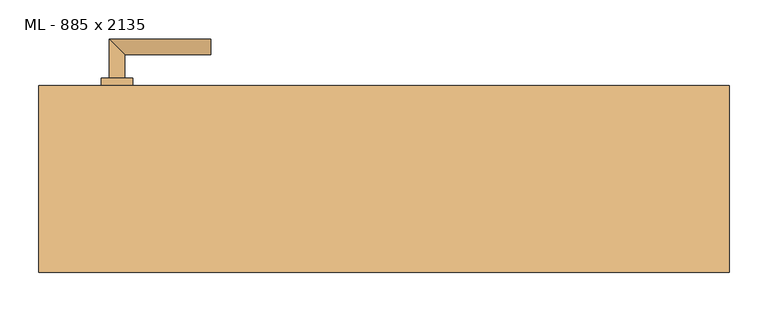
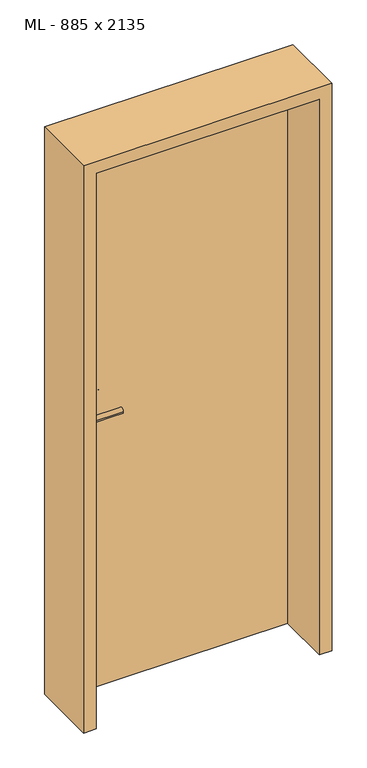
"""IFC4 building model written with IfcOpenShell, lengths in millimetres: door geometry, ML - 885 x 2135."""

from ifc_helpers import new_model, si_unit, point, frame, frame_2d, origin, origin_with_axes, place, context, project, spatial, polyline, circle_curve, ellipse_curve, trimmed, segment, composite_curve, outline, extrude, faceted_brep, source, transform, mapped, element, save
from ifc_brep_helpers import plane_surface, cylinder_surface, advanced_brep


def ml_885_x_2135_f071d580(model_context):
    return source(origin(), model_context, "Body", "SolidModel", [
        extrude(outline(polyline([(408.5, 120.0), (408.5, 75.0), (-408.5, 75.0), (-408.5, 120.0), (408.5, 120.0)])), origin_with_axes(), (0.0, 0.0, 1.0), 2101.0),
        advanced_brep(
        [(-332.5, 130.0, 1050.0), (-352.5, 130.0, 1050.0), (-332.5, 160.0, 1050.0), (-352.5, 180.0, 1050.0), (-222.5, 160.0, 1050.0), (-222.5, 180.0, 1050.0)],
        [
            (0, 1, circle_curve(frame((-342.5, 130.0, 1050.0), z_axis=(0.0, -1.0, 0.0), x_axis=(-1.0, 0.0, 0.0)), 10.0)),
            (1, 0, circle_curve(frame((-342.5, 130.0, 1050.0), z_axis=(0.0, -1.0, 0.0), x_axis=(-1.0, 0.0, 0.0)), 10.0)),
            (0, 2),
            (2, 3, ellipse_curve(frame((-342.5, 170.0, 1050.0), z_axis=(-0.7071067811865531, -0.7071067811865419, 0.0), x_axis=(0.707106781186542, -0.707106781186553, 0.0)), 14.1421356, 10.0)),
            (3, 1),
            (3, 2, ellipse_curve(frame((-342.5, 170.0, 1050.0), z_axis=(-0.7071067811865531, -0.7071067811865419, 0.0), x_axis=(0.707106781186542, -0.707106781186553, 0.0)), 14.1421356, 10.0)),
            (4, 5, circle_curve(frame((-222.5, 170.0, 1050.0), z_axis=(1.0, 0.0, 0.0), x_axis=(0.0, 1.0, 0.0)), 10.0)),
            (5, 4, circle_curve(frame((-222.5, 170.0, 1050.0), z_axis=(1.0, 0.0, 0.0), x_axis=(0.0, 1.0, 0.0)), 10.0)),
            (2, 4),
            (5, 3),
        ],
        [
            plane_surface(frame((-342.5, 130.0, 1050.0), z_axis=(0.0, -1.0, 0.0), x_axis=(0.0, 0.0, 1.0))),
            cylinder_surface(frame((-342.5, 130.0, 1050.0), z_axis=(0.0, -1.0, 0.0), x_axis=(-1.0, 0.0, 0.0)), 10.0),
            plane_surface(frame((-222.5, 170.0, 1050.0), z_axis=(1.0, 0.0, 0.0), x_axis=(0.0, 0.0, 1.0))),
            cylinder_surface(frame((-342.5, 170.0, 1050.0), z_axis=(-1.0, 0.0, 0.0), x_axis=(0.0, 1.0, 0.0)), 10.0),
        ],
        [
            (0, [[1, 2]]),
            (1, [[-1, 3, 4, 5]]),
            (1, [[-2, -5, 6, -3]]),
            (2, [[7, 8]]),
            (3, [[-4, 9, -8, 10]]),
            (3, [[-6, -10, -7, -9]]),
        ],
    ),
        extrude(outline(composite_curve([segment(trimmed(circle_curve(frame_2d((990.0, -342.5)), 20.0), [point((990.0, -362.5))], [point((990.0, -322.5))], False, "CARTESIAN"), True, "CONTINUOUS"), segment(trimmed(circle_curve(frame_2d((990.0, -342.5)), 20.0), [point((990.0, -322.5))], [point((990.0, -362.5))], False, "CARTESIAN"), True, "CONTINUOUS")], self_intersect=False), holes=[composite_curve([segment(polyline([(976.4601385, -344.897268), (988.4749012, -344.897268)]), True, "CONTINUOUS"), segment(trimmed(circle_curve(frame_2d((995.0361633, -342.5)), 6.9854888), [point((988.4749012, -344.897268))], [point((988.4749012, -340.102732))], True, "CARTESIAN"), True, "CONTINUOUS"), segment(polyline([(988.4749012, -340.102732), (976.4601385, -340.102732)]), True, "CONTINUOUS"), segment(trimmed(circle_curve(frame_2d((976.4601385, -342.5)), 2.397268), [point((976.4601385, -340.102732))], [point((976.4601385, -344.897268))], True, "CARTESIAN"), True, "CONTINUOUS")], self_intersect=False)]), frame((0.0, 120.0, 0.0), z_axis=(0.0, 1.0, 0.0), x_axis=(0.0, 0.0, 1.0)), (0.0, 0.0, 1.0), 10.0),
        advanced_brep(
        [(-332.5, 130.0, 1050.0), (-352.5, 130.0, 1050.0), (-332.5, 160.0, 1050.0), (-352.5, 180.0, 1050.0), (-222.5, 160.0, 1050.0), (-222.5, 180.0, 1050.0)],
        [
            (0, 1, circle_curve(frame((-342.5, 130.0, 1050.0), z_axis=(0.0, -1.0, 0.0), x_axis=(-1.0, 0.0, 0.0)), 10.0)),
            (1, 0, circle_curve(frame((-342.5, 130.0, 1050.0), z_axis=(0.0, -1.0, 0.0), x_axis=(-1.0, 0.0, 0.0)), 10.0)),
            (0, 2),
            (2, 3, ellipse_curve(frame((-342.5, 170.0, 1050.0), z_axis=(-0.7071067811865537, -0.7071067811865414, 0.0), x_axis=(0.7071067811865414, -0.7071067811865536, 0.0)), 14.1421356, 10.0)),
            (3, 1),
            (3, 2, ellipse_curve(frame((-342.5, 170.0, 1050.0), z_axis=(-0.7071067811865537, -0.7071067811865414, 0.0), x_axis=(0.7071067811865414, -0.7071067811865536, 0.0)), 14.1421356, 10.0)),
            (4, 5, circle_curve(frame((-222.5, 170.0, 1050.0), z_axis=(1.0, 0.0, 0.0), x_axis=(0.0, 1.0, 0.0)), 10.0)),
            (5, 4, circle_curve(frame((-222.5, 170.0, 1050.0), z_axis=(1.0, 0.0, 0.0), x_axis=(0.0, 1.0, 0.0)), 10.0)),
            (2, 4),
            (5, 3),
        ],
        [
            plane_surface(frame((-342.5, 130.0, 1050.0), z_axis=(0.0, -1.0, 0.0), x_axis=(0.0, 0.0, 1.0))),
            cylinder_surface(frame((-342.5, 130.0, 1050.0), z_axis=(0.0, -1.0, 0.0), x_axis=(-1.0, 0.0, 0.0)), 10.0),
            plane_surface(frame((-222.5, 170.0, 1050.0), z_axis=(1.0, 0.0, 0.0), x_axis=(0.0, 0.0, 1.0))),
            cylinder_surface(frame((-342.5, 170.0, 1050.0), z_axis=(-1.0, 0.0, 0.0), x_axis=(0.0, 1.0, 0.0)), 10.0),
        ],
        [
            (0, [[1, 2]]),
            (1, [[-1, 3, 4, 5]]),
            (1, [[-2, -5, 6, -3]]),
            (2, [[7, 8]]),
            (3, [[-4, 9, -8, 10]]),
            (3, [[-6, -10, -7, -9]]),
        ],
    ),
        extrude(outline(composite_curve([segment(trimmed(circle_curve(frame_2d((1050.0, -342.5)), 20.0), [point((1050.0, -362.5))], [point((1050.0, -322.5))], False, "CARTESIAN"), True, "CONTINUOUS"), segment(trimmed(circle_curve(frame_2d((1050.0, -342.5)), 20.0), [point((1050.0, -322.5))], [point((1050.0, -362.5))], False, "CARTESIAN"), True, "CONTINUOUS")], self_intersect=False)), frame((0.0, 120.0, 0.0), z_axis=(0.0, 1.0, 0.0), x_axis=(0.0, 0.0, 1.0)), (0.0, 0.0, 1.0), 10.0),
        advanced_brep(
        [(-332.5, 65.0, 1050.0), (-352.5, 65.0, 1050.0), (-352.5, 15.0, 1050.0), (-332.5, 35.0, 1050.0), (-222.5, 35.0, 1050.0), (-222.5, 15.0, 1050.0)],
        [
            (0, 1, circle_curve(frame((-342.5, 65.0, 1050.0), z_axis=(0.0, 1.0, 0.0), x_axis=(-1.0, 0.0, 0.0)), 10.0)),
            (1, 0, circle_curve(frame((-342.5, 65.0, 1050.0), z_axis=(0.0, 1.0, 0.0), x_axis=(-1.0, 0.0, 0.0)), 10.0)),
            (1, 2),
            (2, 3, ellipse_curve(frame((-342.5, 25.0, 1050.0), z_axis=(-0.7071067811865486, 0.7071067811865464, 0.0), x_axis=(0.7071067811865464, 0.7071067811865488, 0.0)), 14.1421356, 10.0)),
            (3, 0),
            (3, 2, ellipse_curve(frame((-342.5, 25.0, 1050.0), z_axis=(-0.7071067811865486, 0.7071067811865464, 0.0), x_axis=(0.7071067811865464, 0.7071067811865488, 0.0)), 14.1421356, 10.0)),
            (4, 5, circle_curve(frame((-222.5, 25.0, 1050.0), z_axis=(1.0, 0.0, 0.0), x_axis=(0.0, -1.0, 0.0)), 10.0)),
            (5, 4, circle_curve(frame((-222.5, 25.0, 1050.0), z_axis=(1.0, 0.0, 0.0), x_axis=(0.0, -1.0, 0.0)), 10.0)),
            (2, 5),
            (4, 3),
        ],
        [
            plane_surface(frame((-342.5, 65.0, 1050.0), z_axis=(0.0, 1.0, 0.0), x_axis=(0.0, 0.0, 1.0))),
            cylinder_surface(frame((-342.5, 65.0, 1050.0), z_axis=(0.0, 1.0, 0.0), x_axis=(-1.0, 0.0, 0.0)), 10.0),
            plane_surface(frame((-222.5, 25.0, 1050.0), z_axis=(1.0, 0.0, 0.0), x_axis=(0.0, 0.0, 1.0))),
            cylinder_surface(frame((-342.5, 25.0, 1050.0), z_axis=(-1.0, 0.0, 0.0), x_axis=(0.0, -1.0, 0.0)), 10.0),
        ],
        [
            (0, [[1, 2]]),
            (1, [[3, 4, 5, -2]]),
            (1, [[-5, 6, -3, -1]]),
            (2, [[7, 8]]),
            (3, [[9, -7, 10, -4]]),
            (3, [[-10, -8, -9, -6]]),
        ],
    ),
        extrude(outline(composite_curve([segment(trimmed(circle_curve(frame_2d((990.0, -342.5)), 20.0), [point((990.0, -362.5))], [point((990.0, -322.5))], False, "CARTESIAN"), True, "CONTINUOUS"), segment(trimmed(circle_curve(frame_2d((990.0, -342.5)), 20.0), [point((990.0, -322.5))], [point((990.0, -362.5))], False, "CARTESIAN"), True, "CONTINUOUS")], self_intersect=False), holes=[composite_curve([segment(polyline([(976.4601385, -344.897268), (988.4749012, -344.897268)]), True, "CONTINUOUS"), segment(trimmed(circle_curve(frame_2d((995.0361633, -342.5)), 6.9854888), [point((988.4749012, -344.897268))], [point((988.4749012, -340.102732))], True, "CARTESIAN"), True, "CONTINUOUS"), segment(polyline([(988.4749012, -340.102732), (976.4601385, -340.102732)]), True, "CONTINUOUS"), segment(trimmed(circle_curve(frame_2d((976.4601385, -342.5)), 2.397268), [point((976.4601385, -340.102732))], [point((976.4601385, -344.897268))], True, "CARTESIAN"), True, "CONTINUOUS")], self_intersect=False)]), frame((0.0, 65.0, 0.0), z_axis=(0.0, 1.0, 0.0), x_axis=(0.0, 0.0, 1.0)), (0.0, 0.0, 1.0), 10.0),
        advanced_brep(
        [(-332.5, 65.0, 1050.0), (-352.5, 65.0, 1050.0), (-352.5, 15.0, 1050.0), (-332.5, 35.0, 1050.0), (-222.5, 35.0, 1050.0), (-222.5, 15.0, 1050.0)],
        [
            (0, 1, circle_curve(frame((-342.5, 65.0, 1050.0), z_axis=(0.0, 1.0, 0.0), x_axis=(-1.0, 0.0, 0.0)), 10.0)),
            (1, 0, circle_curve(frame((-342.5, 65.0, 1050.0), z_axis=(0.0, 1.0, 0.0), x_axis=(-1.0, 0.0, 0.0)), 10.0)),
            (1, 2),
            (2, 3, ellipse_curve(frame((-342.5, 25.0, 1050.0), z_axis=(-0.7071067811865491, 0.7071067811865459, 0.0), x_axis=(0.7071067811865458, 0.7071067811865492, 0.0)), 14.1421356, 10.0)),
            (3, 0),
            (3, 2, ellipse_curve(frame((-342.5, 25.0, 1050.0), z_axis=(-0.7071067811865491, 0.7071067811865459, 0.0), x_axis=(0.7071067811865458, 0.7071067811865492, 0.0)), 14.1421356, 10.0)),
            (4, 5, circle_curve(frame((-222.5, 25.0, 1050.0), z_axis=(1.0, 0.0, 0.0), x_axis=(0.0, -1.0, 0.0)), 10.0)),
            (5, 4, circle_curve(frame((-222.5, 25.0, 1050.0), z_axis=(1.0, 0.0, 0.0), x_axis=(0.0, -1.0, 0.0)), 10.0)),
            (2, 5),
            (4, 3),
        ],
        [
            plane_surface(frame((-342.5, 65.0, 1050.0), z_axis=(0.0, 1.0, 0.0), x_axis=(0.0, 0.0, 1.0))),
            cylinder_surface(frame((-342.5, 65.0, 1050.0), z_axis=(0.0, 1.0, 0.0), x_axis=(-1.0, 0.0, 0.0)), 10.0),
            plane_surface(frame((-222.5, 25.0, 1050.0), z_axis=(1.0, 0.0, 0.0), x_axis=(0.0, 0.0, 1.0))),
            cylinder_surface(frame((-342.5, 25.0, 1050.0), z_axis=(-1.0, 0.0, 0.0), x_axis=(0.0, -1.0, 0.0)), 10.0),
        ],
        [
            (0, [[1, 2]]),
            (1, [[3, 4, 5, -2]]),
            (1, [[-5, 6, -3, -1]]),
            (2, [[7, 8]]),
            (3, [[9, -7, 10, -4]]),
            (3, [[-10, -8, -9, -6]]),
        ],
    ),
        extrude(outline(composite_curve([segment(trimmed(circle_curve(frame_2d((1050.0, -342.5)), 20.0), [point((1050.0, -362.5))], [point((1050.0, -322.5))], False, "CARTESIAN"), True, "CONTINUOUS"), segment(trimmed(circle_curve(frame_2d((1050.0, -342.5)), 20.0), [point((1050.0, -322.5))], [point((1050.0, -362.5))], False, "CARTESIAN"), True, "CONTINUOUS")], self_intersect=False)), frame((0.0, 65.0, 0.0), z_axis=(0.0, 1.0, 0.0), x_axis=(0.0, 0.0, 1.0)), (0.0, 0.0, 1.0), 10.0),
        faceted_brep([(-412.5, 120.0, 0.0), (-412.5, 75.0, 0.0), (-397.5, 75.0, 0.0), (-397.5, -120.0, 0.0), (-442.5, -120.0, 0.0), (-442.5, 120.0, 0.0), (-412.5, 120.0, 2105.0), (-412.5, 75.0, 2105.0), (412.5, 75.0, 2105.0), (412.5, 75.0, 0.0), (397.5, 75.0, 0.0), (397.5, 75.0, 2090.0), (-397.5, 75.0, 2090.0), (-397.5, -120.0, 2090.0), (397.5, -120.0, 2090.0), (397.5, -120.0, 0.0), (442.5, -120.0, 0.0), (442.5, -120.0, 2135.0), (-442.5, -120.0, 2135.0), (-442.5, 120.0, 2135.0), (442.5, 120.0, 2135.0), (442.5, 120.0, 0.0), (412.5, 120.0, 0.0), (412.5, 120.0, 2105.0)], [[[0, 1, 2, 3, 4, 5]], [[1, 0, 6, 7]], [[2, 1, 7, 8, 9, 10, 11, 12]], [[3, 2, 12, 13]], [[4, 3, 13, 14, 15, 16, 17, 18]], [[5, 4, 18, 19]], [[0, 5, 19, 20, 21, 22, 23, 6]], [[20, 17, 16, 21]], [[22, 21, 16, 15, 10, 9]], [[8, 23, 22, 9]], [[14, 11, 10, 15]], [[19, 18, 17, 20]], [[13, 12, 11, 14]], [[7, 6, 23, 8]]]),
    ])


if __name__ == "__main__":
    model = new_model("IFC4")
    model_context = context("Model", 3, world=origin())
    ifc_project = project(units=[si_unit("LENGTHUNIT", "METRE", prefix="MILLI")], contexts=[model_context])
    site = spatial("IfcSite", under=ifc_project)
    building = spatial("IfcBuilding", under=site)
    placement = place(None, origin())
    ml_885_x_2135_shape = ml_885_x_2135_f071d580(model_context)
    element("IfcDoor", 1, ObjectType="ML - 885 x 2135", at=placement, inside=building, context=model_context, shape_type="MappedRepresentation", body=[
        mapped(ml_885_x_2135_shape, transform((0.0, 0.0, 0.0), x_axis=(1.0, 0.0, 0.0), y_axis=(0.0, 1.0, 0.0), z_axis=(0.0, 0.0, 1.0))),
    ])
    save(model, "model.ifc")
